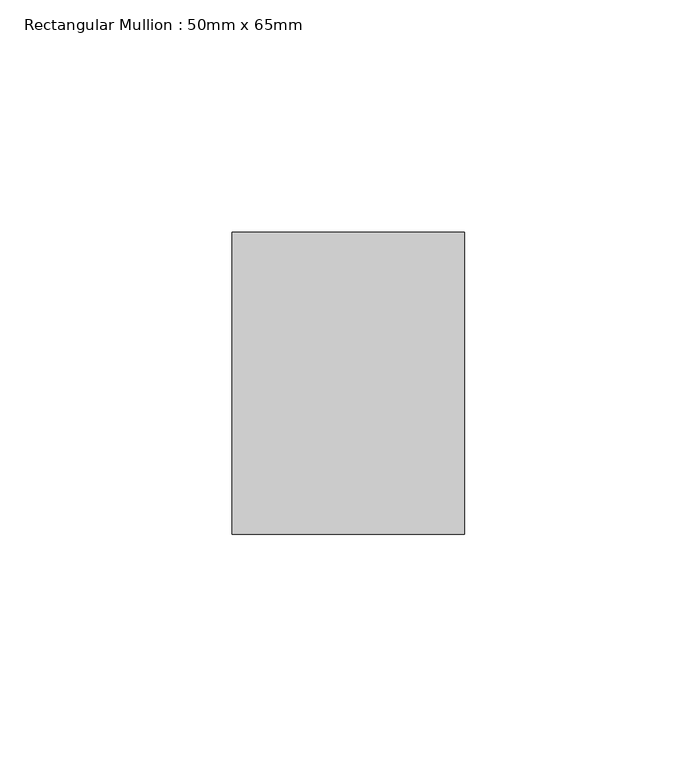
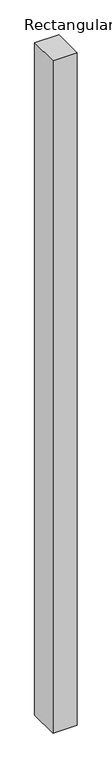
"""IFC4 building model written with IfcOpenShell, lengths in millimetres: member geometry, Rectangular Mullion : 50mm x 65mm."""

import ifcopenshell
import ifcopenshell.guid

model = None  # the IFC model being written
_history = None  # IfcOwnerHistory: only IFC2X3 demands one
_inside = {}  # id of a spatial element -> (the spatial element, [elements in it])
_under = {}  # id of a project, library or spatial element -> (it, [spatial elements below it])
_declared = {}  # id of a project -> (the project, [libraries it declares])
_typed = {}  # id of a type object -> (the type object, [elements of that type])
_made_of = {}  # id of a material, layer set ... -> (it, [elements and type objects made of it])


def new_model(schema):
    """Start an empty IFC model of exactly this schema.

    Asked for "IFC4X3", IfcOpenShell would pick the latest addendum, in which some entities
    have other attributes; the version numbers below select the first issue.
    IFC2X3 requires an IfcOwnerHistory on every rooted entity: one is made here for all.
    """
    global model, _history
    if schema == "IFC4X3":
        model = ifcopenshell.file(schema_version=(4, 3, 0, 0))
    else:
        model = ifcopenshell.file(schema=schema)
    _inside.clear()
    _under.clear()
    _declared.clear()
    _typed.clear()
    _made_of.clear()
    _history = None
    if model.schema == "IFC2X3":
        org = make("IfcOrganization", Name="unknown")
        user = make(
            "IfcPersonAndOrganization",
            ThePerson=make("IfcPerson", FamilyName="unknown"),
            TheOrganization=org,
        )
        app = make(
            "IfcApplication",
            ApplicationDeveloper=org,
            Version="unknown",
            ApplicationFullName="unknown",
            ApplicationIdentifier="unknown",
        )
        _history = make(
            "IfcOwnerHistory",
            OwningUser=user,
            OwningApplication=app,
            ChangeAction="ADDED",
            CreationDate=0,
        )
    return model


def make(cls, **values):
    """One entity of the class cls with the attributes given. An attribute that is None is left unset."""
    return model.create_entity(
        cls, **{name: value for name, value in values.items() if value is not None}
    )


def rooted(cls, **values):
    """An entity with a GlobalId (a new one), such as an element, a storey or a relation."""
    return make(cls, GlobalId=ifcopenshell.guid.new(), OwnerHistory=_history, **values)


def si_unit(unit_type, name, prefix=None):
    """IfcSIUnit, for example si_unit("LENGTHUNIT", "METRE", prefix="MILLI")."""
    return make("IfcSIUnit", UnitType=unit_type, Prefix=prefix, Name=name)


def assignment(units):
    """IfcUnitAssignment: the units of a project."""
    return None if units is None else make("IfcUnitAssignment", Units=units)


def point(xyz):
    """IfcCartesianPoint."""
    return None if xyz is None else make("IfcCartesianPoint", Coordinates=xyz)


def direction(xyz):
    """IfcDirection."""
    return None if xyz is None else make("IfcDirection", DirectionRatios=xyz)


def frame(location, z_axis=None, x_axis=None):
    """IfcAxis2Placement3D, a coordinate frame: its origin and axes. An axis left out is left unset."""
    return make(
        "IfcAxis2Placement3D",
        Location=point(location),
        Axis=direction(z_axis),
        RefDirection=direction(x_axis),
    )


def origin():
    """The frame at (0, 0, 0) with its axes left unset."""
    return frame((0.0, 0.0, 0.0))


def place(relative_to, where):
    """IfcLocalPlacement: puts the frame where relative to a parent placement (None: the world)."""
    return make(
        "IfcLocalPlacement", PlacementRelTo=relative_to, RelativePlacement=where
    )


def context(
    kind, dimensions, precision=None, world=None, true_north=None, identifier=None
):
    """IfcGeometricRepresentationContext, for example the 3D "Model" context."""
    return make(
        "IfcGeometricRepresentationContext",
        ContextIdentifier=identifier,
        ContextType=kind,
        CoordinateSpaceDimension=dimensions,
        Precision=precision,
        WorldCoordinateSystem=world,
        TrueNorth=true_north,
    )


def project(units=None, contexts=None):
    """IfcProject with its units and contexts."""
    return rooted(
        "IfcProject",
        Name="project",
        RepresentationContexts=contexts,
        UnitsInContext=assignment(units),
    )


def spatial(cls, under=None, at=None, **own):
    """A site, building, storey or space (cls), placed at a placement, below another one or the project."""
    s = rooted(cls, ObjectPlacement=at, **own)
    if under is not None:
        _under.setdefault(under.id(), (under, []))[1].append(s)
    return s


def polyline(points):
    """IfcPolyline through the points."""
    return make("IfcPolyline", Points=[point(p) for p in points])


def outline(outer, holes=None, kind="AREA"):
    """IfcArbitraryClosedProfileDef: a profile drawn as a closed curve; with holes, ...WithVoids."""
    if holes is None:
        return make("IfcArbitraryClosedProfileDef", ProfileType=kind, OuterCurve=outer)
    return make(
        "IfcArbitraryProfileDefWithVoids",
        ProfileType=kind,
        OuterCurve=outer,
        InnerCurves=holes,
    )


def extrude(swept, where, along, depth):
    """IfcExtrudedAreaSolid: the profile swept, set in the frame where, extruded along a direction by depth."""
    return make(
        "IfcExtrudedAreaSolid",
        SweptArea=swept,
        Position=where,
        ExtrudedDirection=direction(along),
        Depth=depth,
    )


def shape(context_of_items, identifier, shape_type, items):
    """IfcShapeRepresentation: the items that make up one representation, for example the "Body"."""
    return make(
        "IfcShapeRepresentation",
        ContextOfItems=context_of_items,
        RepresentationIdentifier=identifier,
        RepresentationType=shape_type,
        Items=items,
    )


def source(mapping_origin, context_of_items, identifier, shape_type, items):
    """IfcRepresentationMap: a shape defined once, which mapped items show again and again."""
    return make(
        "IfcRepresentationMap",
        MappingOrigin=mapping_origin,
        MappedRepresentation=shape(context_of_items, identifier, shape_type, items),
    )


def transform(
    local_origin,
    x_axis=None,
    y_axis=None,
    z_axis=None,
    scale=None,
    scale2=None,
    scale3=None,
    uniform=True,
):
    """IfcCartesianTransformationOperator3D, or its non-uniform kind. x_axis, y_axis, z_axis: its Axis1, 2, 3."""
    if uniform:
        return make(
            "IfcCartesianTransformationOperator3D",
            Axis1=direction(x_axis),
            Axis2=direction(y_axis),
            LocalOrigin=point(local_origin),
            Scale=scale,
            Axis3=direction(z_axis),
        )
    return make(
        "IfcCartesianTransformationOperator3DnonUniform",
        Axis1=direction(x_axis),
        Axis2=direction(y_axis),
        LocalOrigin=point(local_origin),
        Scale=scale,
        Axis3=direction(z_axis),
        Scale2=scale2,
        Scale3=scale3,
    )


def mapped(mapping_source, mapping_target):
    """IfcMappedItem: shows the shape of a source again, moved by a transform."""
    return make(
        "IfcMappedItem", MappingSource=mapping_source, MappingTarget=mapping_target
    )


def made_of(thing, what):
    """Note that an element or type object is made of a material, layer set ...; save() writes the relation."""
    if what is not None:
        _made_of.setdefault(what.id(), (what, []))[1].append(thing)
    return thing


def element(
    cls,
    number,
    at=None,
    inside=None,
    cuts=None,
    type_object=None,
    material=None,
    context=None,
    identifier="Body",
    shape_type=None,
    held_by="IfcProductDefinitionShape",
    body=None,
    shapes=None,
    **own,
):
    """One element of the class cls, such as IfcWall. Its Tag is "e" and its number.

    at: its placement. inside: the storey or other place that contains it. cuts: it is an
    opening in that element (IfcRelVoidsElement). A single representation is given by context,
    identifier, shape_type and body (its items); several are given by shapes. held_by: the class
    of the entity that holds the representations. save() writes the other relations.
    """
    e = rooted(cls, Tag="e%d" % number, ObjectPlacement=at, **own)
    if body is not None:
        shapes = [shape(context, identifier, shape_type, body)]
    if shapes is not None:
        e.Representation = make(held_by, Representations=shapes)
    if inside is not None:
        _inside.setdefault(inside.id(), (inside, []))[1].append(e)
    if cuts is not None:
        rooted(
            "IfcRelVoidsElement", RelatingBuildingElement=cuts, RelatedOpeningElement=e
        )
    if type_object is not None:
        _typed.setdefault(type_object.id(), (type_object, []))[1].append(e)
    return made_of(e, material)


def aggregate(whole, parts):
    """IfcRelAggregates: a whole, such as a stair, and the parts it consists of."""
    return rooted("IfcRelAggregates", RelatingObject=whole, RelatedObjects=parts)


def save(model, path):
    """Write the relations noted so far, then the file.

    IfcRelAggregates (storeys below a building ...), IfcRelContainedInSpatialStructure (elements
    in a storey), IfcRelDefinesByType, IfcRelAssociatesMaterial and IfcRelDeclares: one each for
    every whole, place, type object, material and project.
    """
    for whole, parts in _under.values():
        aggregate(whole, parts)
    for where, things in _inside.values():
        rooted(
            "IfcRelContainedInSpatialStructure",
            RelatedElements=things,
            RelatingStructure=where,
        )
    for kind, things in _typed.values():
        rooted("IfcRelDefinesByType", RelatedObjects=things, RelatingType=kind)
    for what, things in _made_of.values():
        rooted("IfcRelAssociatesMaterial", RelatedObjects=things, RelatingMaterial=what)
    for by, libraries in _declared.values():
        rooted("IfcRelDeclares", RelatingContext=by, RelatedDefinitions=libraries)
    model.write(path)


def rectangular_mullion_50mm_x_65mm_b1c7761e(model_context):
    return source(origin(), model_context, "Body", "SweptSolid", [
        extrude(outline(polyline([(25.0, 32.5), (25.0, -32.5), (-25.0, -32.5), (-25.0, 32.5), (25.0, 32.5)])), frame((0.0, 0.0, -1473.7160207), z_axis=(0.0, 0.0, 1.0), x_axis=(1.0, 0.0, 0.0)), (0.0, 0.0, 1.0), 1473.7160207),
    ])


if __name__ == "__main__":
    model = new_model("IFC4")
    model_context = context("Model", 3, world=origin())
    ifc_project = project(units=[si_unit("LENGTHUNIT", "METRE", prefix="MILLI")], contexts=[model_context])
    site = spatial("IfcSite", under=ifc_project)
    building = spatial("IfcBuilding", under=site)
    placement = place(None, origin())
    rectangular_mullion_50mm_x_65mm_shape = rectangular_mullion_50mm_x_65mm_b1c7761e(model_context)
    element("IfcMember", 1, ObjectType="Rectangular Mullion : 50mm x 65mm", at=placement, inside=building, context=model_context, shape_type="MappedRepresentation", body=[
        mapped(rectangular_mullion_50mm_x_65mm_shape, transform((0.0, 0.0, 0.0), x_axis=(1.0, 0.0, 0.0), y_axis=(0.0, 1.0, 0.0), z_axis=(0.0, 0.0, 1.0))),
    ])
    save(model, "model.ifc")
